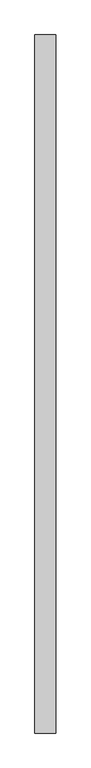
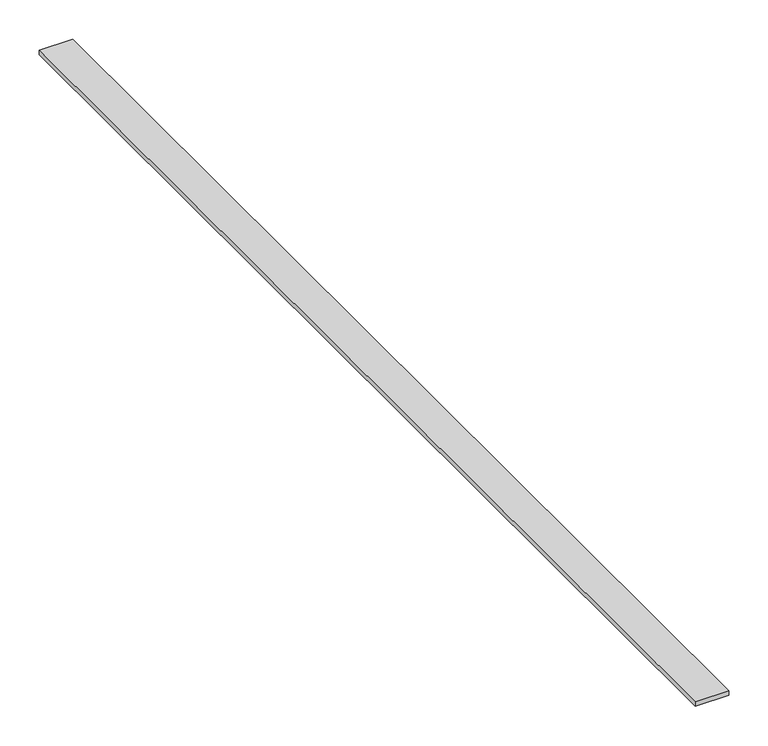
"""IFC4 building model written with IfcOpenShell, lengths in millimetres: proxy geometry."""

from ifc_helpers import new_model, si_unit, origin, origin_with_axes, place, context, project, spatial, polyline, outline, extrude, source, transform, mapped, element, save


def generic_models_d9296b08(model_context):
    return source(origin(), model_context, "Body", "SweptSolid", [
        extrude(outline(polyline([(26.7544115, 408.8971584), (26.7544115, -1268.5268147), (-23.2455885, -1268.5268147), (-23.2455885, 408.8971584), (26.7544115, 408.8971584)])), origin_with_axes(), (0.0, 0.0, 1.0), 7.0),
    ])


if __name__ == "__main__":
    model = new_model("IFC4")
    model_context = context("Model", 3, world=origin())
    ifc_project = project(units=[si_unit("LENGTHUNIT", "METRE", prefix="MILLI")], contexts=[model_context])
    site = spatial("IfcSite", under=ifc_project)
    building = spatial("IfcBuilding", under=site)
    placement = place(None, origin())
    generic_models_shape = generic_models_d9296b08(model_context)
    element("IfcBuildingElementProxy", 1, Name="Generic Models", at=placement, inside=building, context=model_context, shape_type="MappedRepresentation", body=[
        mapped(generic_models_shape, transform((0.0, 0.0, 0.0), x_axis=(1.0, 0.0, 0.0), y_axis=(0.0, 1.0, 0.0), z_axis=(0.0, 0.0, 1.0))),
    ])
    save(model, "model.ifc")
